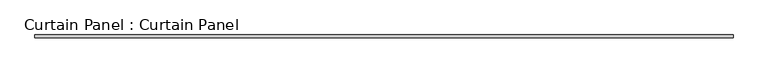
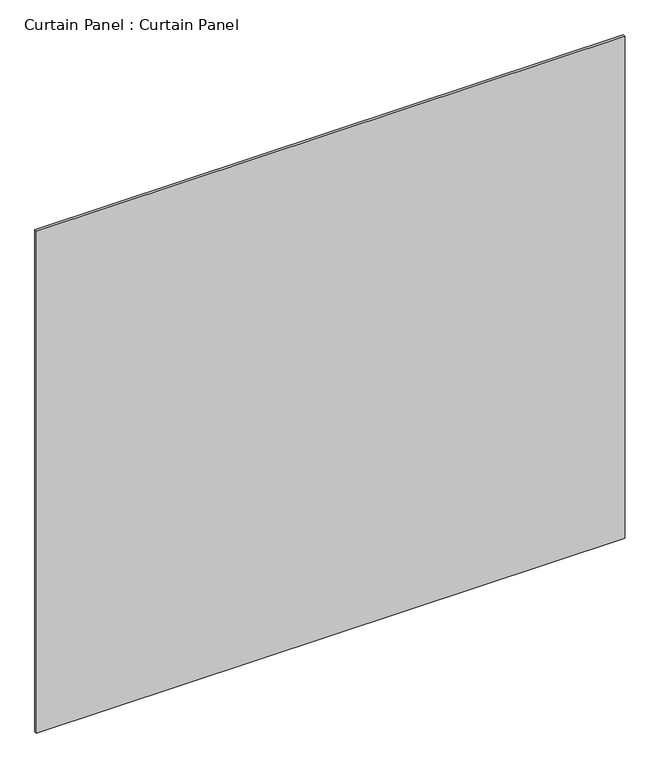
"""IFC4 building model written with IfcOpenShell, lengths in millimetres: plate geometry, Curtain Panel : Curtain Panel."""

from ifc_helpers import new_model, si_unit, frame, origin, place, context, project, spatial, polyline, outline, extrude, source, transform, mapped, element, save


def curtain_panel_curtain_panel_f3224675(model_context):
    return source(origin(), model_context, "Body", "SweptSolid", [
        extrude(outline(polyline([(285437.3063541, 2417.6234836), (283760.9063541, 2417.6234836), (283760.9063541, 2423.9734836), (285437.3063541, 2423.9734836), (285437.3063541, 2417.6234836)])), frame((0.0, 0.0, 6452.1932087), z_axis=(0.0, 0.0, 1.0), x_axis=(1.0, 0.0, 0.0)), (0.0, 0.0, 1.0), 1510.0317251),
    ])


if __name__ == "__main__":
    model = new_model("IFC4")
    model_context = context("Model", 3, world=origin())
    ifc_project = project(units=[si_unit("LENGTHUNIT", "METRE", prefix="MILLI")], contexts=[model_context])
    site = spatial("IfcSite", under=ifc_project)
    building = spatial("IfcBuilding", under=site)
    placement = place(None, origin())
    curtain_panel_curtain_panel_shape = curtain_panel_curtain_panel_f3224675(model_context)
    element("IfcPlate", 1, ObjectType="Curtain Panel : Curtain Panel", at=placement, inside=building, context=model_context, shape_type="MappedRepresentation", body=[
        mapped(curtain_panel_curtain_panel_shape, transform((0.0, 0.0, 0.0), x_axis=(1.0, 0.0, 0.0), y_axis=(0.0, 1.0, 0.0), z_axis=(0.0, 0.0, 1.0))),
    ])
    save(model, "model.ifc")
